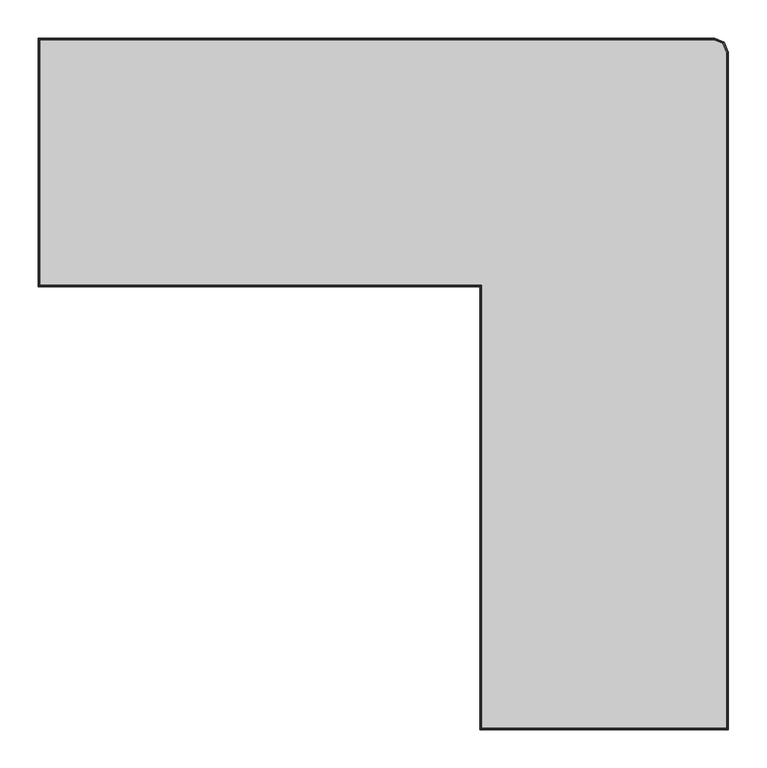
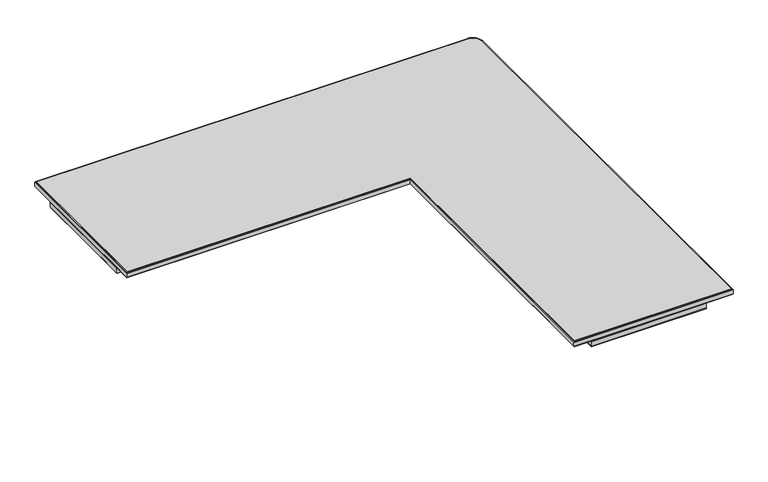
"""IFC4 building model written with IfcOpenShell, lengths in millimetres: furniture geometry."""

from ifc_helpers import new_model, si_unit, frame, origin, place, context, project, spatial, polyline, outline, extrude, faceted_brep, source, transform, mapped, element, save


def furniture_95d6e451(model_context):
    return source(origin(), model_context, "Body", "SolidModel", [
        faceted_brep([(899.9524807, 56.0365193, 1064.7999767), (899.9524807, 56.0365193, 1056.7999563), (894.4893408, 69.2255661, 1056.7999563), (894.4893408, 69.2255661, 1064.7999767), (899.366688, 55.9199968, 1066.2142073), (894.0409956, 68.7772193, 1066.2142073), (897.9525301, 55.6387005, 1066.8), (892.9586489, 67.6948687, 1066.8), (897.9525301, 55.6387005, 1054.8000057), (892.9586489, 67.6948687, 1054.8000057), (899.366688, 55.9199968, 1055.3857985), (894.0409956, 68.7772193, 1055.3857985), (882.128135, 74.3457482, 1056.7999563), (882.128135, 74.3457482, 1064.7999767), (882.0116135, 73.7599554, 1066.2142073), (881.7303198, 72.3457976, 1066.8), (881.7303198, 72.3457976, 1054.8000057), (882.0116135, 73.7599554, 1055.3857985), (-0.2473506, 74.3457482, 1056.7999563), (-0.2473506, 74.3457482, 1064.7999767), (0.3384421, 73.7599554, 1066.2142073), (1.7526, 72.3457976, 1066.8), (1.7526, 72.3457976, 1054.8000057), (0.3384421, 73.7599554, 1055.3857985), (-0.2473506, -249.5041564, 1056.7999563), (-0.2473506, -249.5041564, 1064.7999767), (0.3384421, -248.9183637, 1066.2142073), (1.7526, -247.5042058, 1066.8), (1.7526, -247.5042058, 1054.8000057), (0.3384421, -248.9183637, 1055.3857985), (576.1025534, -249.5041564, 1056.7999563), (576.1025534, -249.5041564, 1064.7999767), (576.6883461, -248.9183637, 1066.2142073), (578.102504, -247.5042058, 1066.8), (578.102504, -247.5042058, 1054.8000057), (576.6883461, -248.9183637, 1055.3857985), (576.1025534, -827.1052499, 1056.7999563), (576.1025534, -827.1052499, 1064.7999767), (576.6883461, -826.5194572, 1066.2142073), (578.102504, -825.1052993, 1066.8), (578.102504, -825.1052993, 1054.8000057), (576.6883461, -826.5194572, 1055.3857985), (899.9524807, -827.1052499, 1056.7999563), (899.9524807, -827.1052499, 1064.7999767), (899.366688, -826.5194572, 1066.2142073), (897.9525301, -825.1052993, 1066.8), (897.9525301, -825.1052993, 1054.8000057), (899.366688, -826.5194572, 1055.3857985)], [[[0, 1, 2, 3]], [[4, 0, 3, 5]], [[6, 4, 5, 7]], [[8, 6, 7, 9]], [[10, 8, 9, 11]], [[1, 10, 11, 2]], [[3, 2, 12, 13]], [[5, 3, 13, 14]], [[7, 5, 14, 15]], [[9, 7, 15, 16]], [[11, 9, 16, 17]], [[2, 11, 17, 12]], [[13, 12, 18, 19]], [[14, 13, 19, 20]], [[15, 14, 20, 21]], [[16, 15, 21, 22]], [[17, 16, 22, 23]], [[12, 17, 23, 18]], [[19, 18, 24, 25]], [[20, 19, 25, 26]], [[21, 20, 26, 27]], [[22, 21, 27, 28]], [[23, 22, 28, 29]], [[18, 23, 29, 24]], [[25, 24, 30, 31]], [[26, 25, 31, 32]], [[27, 26, 32, 33]], [[28, 27, 33, 34]], [[29, 28, 34, 35]], [[24, 29, 35, 30]], [[31, 30, 36, 37]], [[32, 31, 37, 38]], [[33, 32, 38, 39]], [[34, 33, 39, 40]], [[35, 34, 40, 41]], [[30, 35, 41, 36]], [[37, 36, 42, 43]], [[38, 37, 43, 44]], [[39, 38, 44, 45]], [[40, 39, 45, 46]], [[41, 40, 46, 47]], [[36, 41, 47, 42]], [[43, 42, 1, 0]], [[44, 43, 0, 4]], [[45, 44, 4, 6]], [[46, 45, 6, 8]], [[47, 46, 8, 10]], [[42, 47, 10, 1]]]),
        faceted_brep([(611.1024519, -216.161297, 1044.799962), (611.1024519, -216.161297, 1054.8000057), (613.1024752, -216.161297, 1054.8000057), (613.1024752, -216.161297, 1042.8000114), (611.6882446, -216.161297, 1043.3858042), (611.1024519, -826.8513226, 1044.799962), (611.1024519, -826.8513226, 1054.8000057), (845.9025095, -826.8513226, 1054.8000057), (845.9025095, 20.2958235, 1054.8000057), (0.0065767, 20.2958235, 1054.8000057), (0.0065767, -214.5042216, 1054.8000057), (609.9303329, -214.5042216, 1054.8000057), (609.9303329, -212.5041983, 1054.8000057), (2.0066, -212.5041983, 1054.8000057), (2.0066, 18.2958003, 1054.8000057), (843.9024862, 18.2958003, 1054.8000057), (843.9024862, -824.8512993, 1054.8000057), (613.1024752, -824.8512993, 1054.8000057), (613.1024752, -824.8512993, 1042.8000114), (611.6882446, -826.2655298, 1043.3858042), (845.9025095, -826.8513226, 1044.799962), (843.9024862, -824.8512993, 1042.8000114), (845.3167168, -826.2655298, 1043.3858042), (845.9025095, 20.2958235, 1044.799962), (843.9024862, 18.2958003, 1042.8000114), (845.3167168, 19.7100308, 1043.3858042), (0.0065767, 20.2958235, 1044.799962), (2.0066, 18.2958003, 1042.8000114), (0.5923695, 19.7100308, 1043.3858042), (0.0065767, -214.5042216, 1044.799962), (2.0066, -212.5041983, 1042.8000114), (0.5923695, -213.9184289, 1043.3858042), (609.9303329, -214.5042216, 1044.799962), (609.9303329, -213.9184289, 1043.3858042), (609.9303329, -212.5041983, 1042.8000114)], [[[0, 1, 2, 3, 4]], [[1, 0, 5, 6]], [[2, 1, 6, 7, 8, 9, 10, 11, 12, 13, 14, 15, 16, 17]], [[3, 2, 17, 18]], [[4, 3, 18, 19]], [[0, 4, 19, 5]], [[6, 5, 20, 7]], [[18, 17, 16, 21]], [[19, 18, 21, 22]], [[5, 19, 22, 20]], [[7, 20, 23, 8]], [[21, 16, 15, 24]], [[22, 21, 24, 25]], [[20, 22, 25, 23]], [[8, 23, 26, 9]], [[24, 15, 14, 27]], [[25, 24, 27, 28]], [[23, 25, 28, 26]], [[9, 26, 29, 10]], [[27, 14, 13, 30]], [[28, 27, 30, 31]], [[26, 28, 31, 29]], [[32, 33, 34, 12, 11]], [[10, 29, 32, 11]], [[30, 13, 12, 34]], [[31, 30, 34, 33]], [[29, 31, 33, 32]]]),
        extrude(outline(polyline([(843.9024862, 18.2958003), (843.9024862, -824.8512993), (613.1024752, -824.8512993), (613.1024752, -216.161297), (611.9309624, -213.3328723), (609.9303329, -212.5041983), (2.0066, -212.5041983), (2.0066, 18.2958003), (843.9024862, 18.2958003)])), frame((0.0, 0.0, 1042.8000114), z_axis=(0.0, 0.0, 1.0), x_axis=(1.0, 0.0, 0.0)), (0.0, 0.0, 1.0), 11.9999943),
        extrude(outline(polyline([(881.7303198, 72.3457976), (892.9586489, 67.6948687), (897.9525301, 55.6387005), (897.9525301, -825.1052993), (578.102504, -825.1052993), (578.102504, -247.5042058), (1.7526, -247.5042058), (1.7526, 72.3457976), (881.7303198, 72.3457976)])), frame((0.0, 0.0, 1054.8000057), z_axis=(0.0, 0.0, 1.0), x_axis=(1.0, 0.0, 0.0)), (0.0, 0.0, 1.0), 12.0030057),
    ])


if __name__ == "__main__":
    model = new_model("IFC4")
    model_context = context("Model", 3, world=origin())
    ifc_project = project(units=[si_unit("LENGTHUNIT", "METRE", prefix="MILLI")], contexts=[model_context])
    site = spatial("IfcSite", under=ifc_project)
    building = spatial("IfcBuilding", under=site)
    placement = place(None, origin())
    furniture_shape = furniture_95d6e451(model_context)
    element("IfcFurniture", 1, at=placement, inside=building, context=model_context, shape_type="MappedRepresentation", body=[
        mapped(furniture_shape, transform((0.0, 0.0, 0.0), x_axis=(1.0, 0.0, 0.0), y_axis=(0.0, 1.0, 0.0), z_axis=(0.0, 0.0, 1.0))),
    ])
    save(model, "model.ifc")
